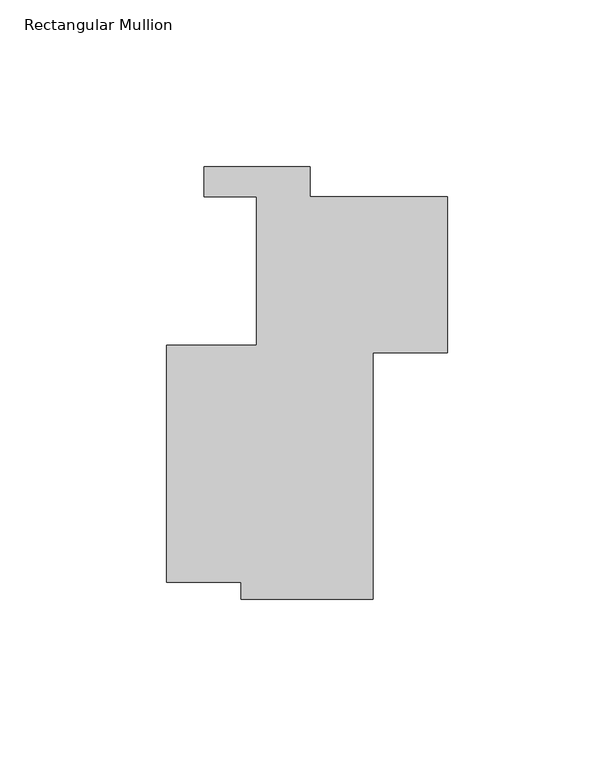
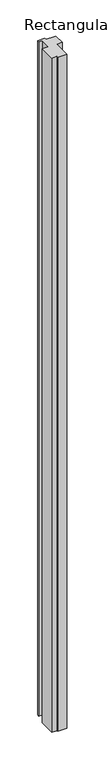
"""IFC4 building model written with IfcOpenShell, lengths in millimetres: member geometry, Rectangular Mullion."""

from ifc_helpers import new_model, si_unit, frame, origin, place, context, project, spatial, polyline, outline, extrude, source, transform, mapped, element, save


def rectangular_mullion_ba82e322(model_context):
    return source(origin(), model_context, "Body", "SweptSolid", [
        extrude(outline(polyline([(-61.9125, -68.5613764), (-84.1375, -68.5613764), (-84.1375, 2.5586234), (-57.1500005, 2.5586234), (-57.1500005, 47.0086234), (-72.9836685, 47.0086234), (-72.9836685, 55.9748236), (-41.2336685, 55.9748236), (-41.2336685, 47.0086235), (0.0, 47.0086235), (0.0, 0.2726235), (-22.225, 0.2726235), (-22.225, -73.6453429), (-61.9125, -73.6453429), (-61.9125, -68.5613764)])), frame((0.0, 0.0, -3048.0), z_axis=(0.0, 0.0, 1.0), x_axis=(1.0, 0.0, 0.0)), (0.0, 0.0, 1.0), 3048.0),
    ])


if __name__ == "__main__":
    model = new_model("IFC4")
    model_context = context("Model", 3, world=origin())
    ifc_project = project(units=[si_unit("LENGTHUNIT", "METRE", prefix="MILLI")], contexts=[model_context])
    site = spatial("IfcSite", under=ifc_project)
    building = spatial("IfcBuilding", under=site)
    placement = place(None, origin())
    rectangular_mullion_shape = rectangular_mullion_ba82e322(model_context)
    element("IfcMember", 1, ObjectType="Rectangular Mullion", at=placement, inside=building, context=model_context, shape_type="MappedRepresentation", body=[
        mapped(rectangular_mullion_shape, transform((0.0, 0.0, 0.0), x_axis=(1.0, 0.0, 0.0), y_axis=(0.0, 1.0, 0.0), z_axis=(0.0, 0.0, 1.0))),
    ])
    save(model, "model.ifc")
